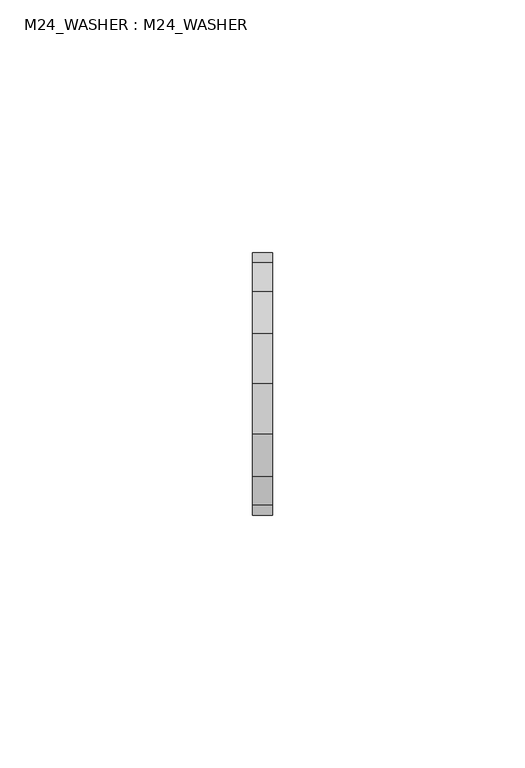
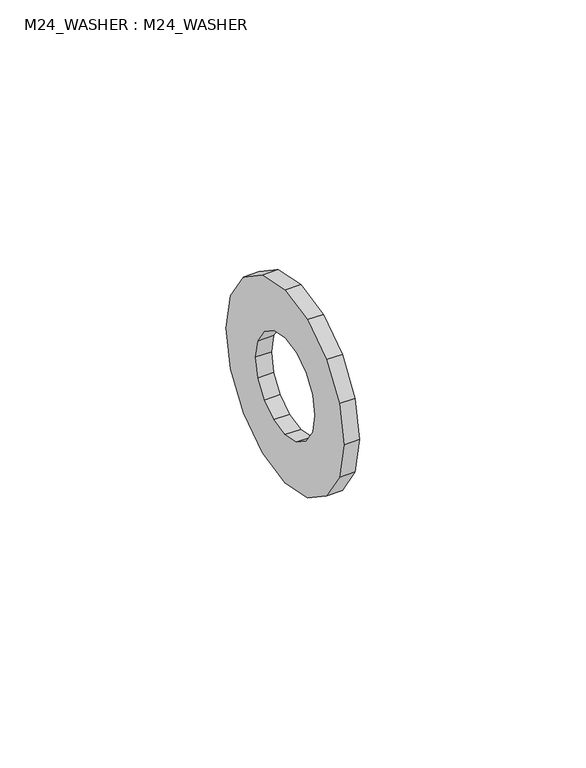
"""IFC4 building model written with IfcOpenShell, lengths in millimetres: beam geometry, M24_WASHER : M24_WASHER."""

from ifc_helpers import new_model, si_unit, frame, origin, place, context, project, spatial, polyline, outline, extrude, source, transform, mapped, element, save


def m24_washer_m24_washer_e8d44ef9(model_context):
    return source(origin(), model_context, "Body", "SweptSolid", [
        extrude(outline(polyline([(18.3847763, 18.3847763), (24.0208678, 9.9497692), (26.0, 0.0), (24.0208678, -9.9497692), (18.3847763, -18.3847763), (9.9497692, -24.0208678), (0.0, -26.0), (-9.9497692, -24.0208678), (-18.3847763, -18.3847763), (-24.0208678, -9.9497692), (-26.0, 0.0), (-24.0208678, 9.9497692), (-18.3847763, 18.3847763), (-9.9497692, 24.0208678), (0.0, 26.0), (9.9497692, 24.0208678), (18.3847763, 18.3847763)]), holes=[polyline([(9.1923882, -9.1923882), (12.0104339, -4.9748846), (13.0, 0.0), (12.0104339, 4.9748846), (9.1923882, 9.1923882), (4.9748846, 12.0104339), (0.0, 13.0), (-4.9748846, 12.0104339), (-9.1923882, 9.1923882), (-12.0104339, 4.9748846), (-13.0, 0.0), (-12.0104339, -4.9748846), (-9.1923882, -9.1923882), (-4.9748846, -12.0104339), (0.0, -13.0), (4.9748846, -12.0104339), (9.1923882, -9.1923882)])]), frame((0.0, 0.0, 0.0), z_axis=(1.0, 0.0, 0.0), x_axis=(0.0, 1.0, 0.0)), (0.0, 0.0, 1.0), 4.0),
    ])


if __name__ == "__main__":
    model = new_model("IFC4")
    model_context = context("Model", 3, world=origin())
    ifc_project = project(units=[si_unit("LENGTHUNIT", "METRE", prefix="MILLI")], contexts=[model_context])
    site = spatial("IfcSite", under=ifc_project)
    building = spatial("IfcBuilding", under=site)
    placement = place(None, origin())
    m24_washer_m24_washer_shape = m24_washer_m24_washer_e8d44ef9(model_context)
    element("IfcBeam", 1, ObjectType="M24_WASHER : M24_WASHER", at=placement, inside=building, context=model_context, shape_type="MappedRepresentation", body=[
        mapped(m24_washer_m24_washer_shape, transform((0.0, 0.0, 0.0), x_axis=(1.0, 0.0, 0.0), y_axis=(0.0, 1.0, 0.0), z_axis=(0.0, 0.0, 1.0))),
    ])
    save(model, "model.ifc")
